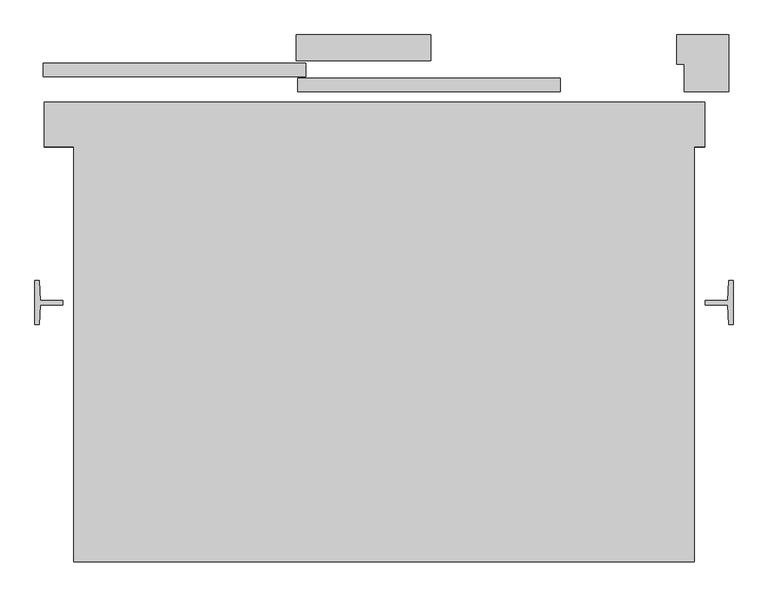
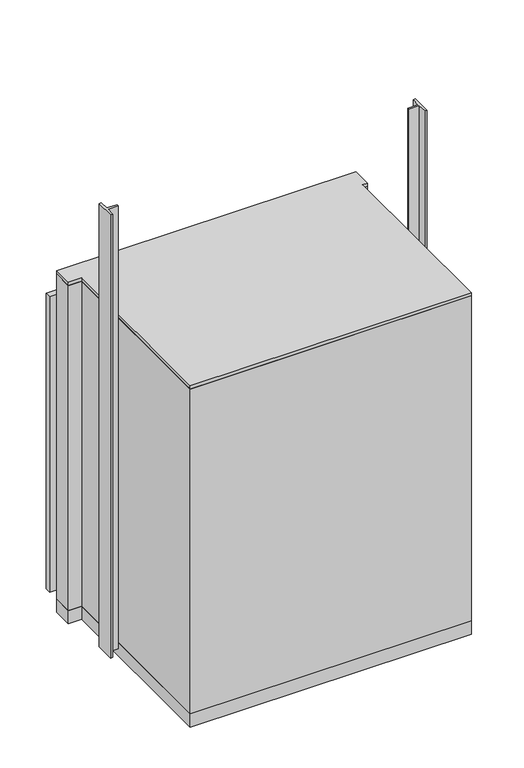
"""IFC4 building model written with IfcOpenShell, lengths in millimetres: proxy geometry."""

from ifc_helpers import new_model, si_unit, frame, origin, origin_with_axes, place, context, project, spatial, polyline, outline, extrude, faceted_brep, source, transform, mapped, element, save


def specialty_equipment_e7032611(model_context):
    return source(origin(), model_context, "Body", "SolidModel", [
        extrude(outline(polyline([(-1198.6220553, -190.9893804), (-1198.6220553, -149.3893804), (-437.6220553, -149.3893804), (-437.6220553, -190.9893804), (-1198.6220553, -190.9893804)])), origin_with_axes(), (0.0, 0.0, 1.0), 2000.0),
        extrude(outline(polyline([(-489.8301, -144.0), (-489.8301, -108.9587126), (271.1699, -108.9587126), (271.1699, -144.0), (-489.8301, -144.0)])), origin_with_axes(), (0.0, 0.0, 1.0), 2000.0),
        extrude(outline(polyline([(-1238.6220553, 8.3893803), (-477.6220553, 8.3893803), (-477.6220553, -30.6106197), (-1238.6220553, -30.6106197), (-1238.6220553, 8.3893803)])), origin_with_axes(), (0.0, 0.0, 1.0), 2000.0),
        extrude(outline(polyline([(-499.8301, -75.0), (-499.8301, -36.0), (261.1699, -36.0), (261.1699, -75.0), (-499.8301, -75.0)])), origin_with_axes(), (0.0, 0.0, 1.0), 2000.0),
        faceted_brep([(-1150.0, -1440.0000001, 2200.0), (650.0, -1440.0000001, 2200.0), (650.0, -235.0, 2200.0), (681.0, -235.0, 2200.0), (681.0, -105.0, 2200.0), (-1236.5, -105.0, 2200.0), (-1236.5, -235.0, 2200.0), (-1150.0, -235.0, 2200.0), (-1125.0, -1415.0000001, 2200.0), (-1125.0, -802.5016433, 2200.0), (-1110.2454439, -802.5016433, 2200.0), (-1110.2454439, -572.5016433, 2200.0), (-1125.0, -572.5016433, 2200.0), (-1125.0, -235.0, 2200.0), (-860.3, -235.0, 2200.0), (-860.3, -197.0, 2200.0), (-1208.1228936, -197.0, 2200.0), (-1208.1228936, -108.9587126, 2200.0), (621.1699, -108.9587126, 2200.0), (621.1699, -192.6835257, 2200.0), (600.0, -192.6835257, 2200.0), (600.0, -235.0, 2200.0), (625.0, -235.0, 2200.0), (625.0, -572.5016433, 2200.0), (610.2454439, -572.5016433, 2200.0), (610.2454439, -802.5016433, 2200.0), (625.0, -802.5016433, 2200.0), (625.0, -1415.0000001, 2200.0), (-1150.0, -1440.0000001, 0.0), (-1150.0, -235.0, 0.0), (-1236.5, -235.0, 0.0), (-1236.5, -105.0, 0.0), (-923.4437103, -105.0, 0.0), (-923.4437103, -108.9587126, 0.0), (-1208.1228936, -108.9587126, 0.0), (-1208.1228936, -197.0, 0.0), (-860.3, -197.0, 0.0), (-860.3, -235.0, 0.0), (-1125.0, -235.0, 0.0), (-1125.0, -572.5016433, 0.0), (-1110.2454439, -572.5016433, 0.0), (-1110.2454439, -802.5016433, 0.0), (-1125.0, -802.5016433, 0.0), (-1125.0, -1415.0000001, 0.0), (625.0, -1415.0000001, 0.0), (625.0, -802.5016433, 0.0), (610.2454439, -802.5016433, 0.0), (610.2454439, -572.5016433, 0.0), (625.0, -572.5016433, 0.0), (625.0, -235.0, 0.0), (600.0, -235.0, 0.0), (600.0, -192.6835257, 0.0), (621.1699, -192.6835257, 0.0), (621.1699, -105.0, 0.0), (681.0, -105.0, 0.0), (681.0, -235.0, 0.0), (650.0, -235.0, 0.0), (650.0, -1440.0000001, 0.0), (621.1699, -105.0, 2000.0), (-923.4437103, -105.0, 2000.0), (-923.4437103, -108.9587126, 2000.0), (621.1699, -108.9587126, 2000.0), (600.0, -192.6835257, 2000.0)], [[[0, 1, 2, 3, 4, 5, 6, 7], [8, 9, 10, 11, 12, 13, 14, 15, 16, 17, 18, 19, 20, 21, 22, 23, 24, 25, 26, 27]], [[28, 29, 30, 31, 32, 33, 34, 35, 36, 37, 38, 39, 40, 41, 42, 43, 44, 45, 46, 47, 48, 49, 50, 51, 52, 53, 54, 55, 56, 57]], [[1, 0, 28, 57]], [[2, 1, 57, 56]], [[3, 2, 56, 55]], [[4, 3, 55, 54]], [[5, 4, 54, 53, 58, 59, 32, 31]], [[6, 5, 31, 30]], [[7, 6, 30, 29]], [[0, 7, 29, 28]], [[9, 8, 43, 42]], [[14, 13, 38, 37]], [[15, 14, 37, 36]], [[16, 15, 36, 35]], [[17, 16, 35, 34]], [[18, 17, 34, 33, 60, 61]], [[19, 18, 61, 58, 53, 52]], [[20, 19, 52, 51, 62]], [[21, 20, 62, 51, 50]], [[22, 21, 50, 49]], [[23, 22, 49, 48]], [[24, 23, 48, 47]], [[25, 24, 47, 46]], [[26, 25, 46, 45]], [[27, 26, 45, 44]], [[8, 27, 44, 43]], [[58, 61, 60, 59]], [[59, 60, 33, 32]], [[10, 9, 42, 41]], [[11, 10, 41, 40]], [[12, 11, 40, 39]], [[13, 12, 39, 38]]]),
        extrude(outline(polyline([(750.026988, -751.0012199), (747.026988, -693.80122), (682.0269884, -693.80122), (682.0269884, -681.3056039), (747.1132057, -681.3056039), (750.026988, -624.0012199), (763.026988, -624.0012199), (763.026988, -751.0012199), (750.026988, -751.0012199)])), origin_with_axes(), (0.0, 0.0, 1.0), 3000.0),
        extrude(outline(polyline([(-1247.026988, -693.80122), (-1250.026988, -751.0012199), (-1263.026988, -751.0012199), (-1263.026988, -624.0012199), (-1250.026988, -624.0012199), (-1247.1132057, -681.3056039), (-1182.0269884, -681.3056039), (-1182.0269884, -693.80122), (-1247.026988, -693.80122)])), origin_with_axes(), (0.0, 0.0, 1.0), 3000.0),
        extrude(outline(polyline([(-1150.0, -1440.0000001), (-1150.0, -235.0), (-1236.5, -235.0), (-1236.5, -105.0), (681.0, -105.0), (681.0, -235.0), (650.0, -235.0), (650.0, -1440.0000001), (-1150.0, -1440.0000001)])), frame((0.0, 0.0, 2200.0), z_axis=(0.0, 0.0, 1.0), x_axis=(1.0, 0.0, 0.0)), (0.0, 0.0, 1.0), 22.0),
        extrude(outline(polyline([(-1150.0, -1440.0000001), (-1150.0, -235.0), (-1236.5, -235.0), (-1236.5, -105.0), (681.0, -105.0), (681.0, -235.0), (650.0, -235.0), (650.0, -1440.0000001), (-1150.0, -1440.0000001)])), frame((0.0, 0.0, -90.0), z_axis=(0.0, 0.0, 1.0), x_axis=(1.0, 0.0, 0.0)), (0.0, 0.0, 1.0), 90.0),
        extrude(outline(polyline([(-114.9791786, 90.0), (-114.9791786, 14.4785696), (-505.0067971, 14.4785696), (-505.0067971, 90.0), (-114.9791786, 90.0)])), origin_with_axes(), (0.0, 0.0, 1.0), 2000.0),
        extrude(outline(polyline([(600.0, 5.0), (600.0, 90.0), (750.0, 90.0), (750.0, -75.0), (621.1699, -75.0), (621.1699, 5.0), (600.0, 5.0)])), origin_with_axes(), (0.0, 0.0, 1.0), 2000.0),
    ])


if __name__ == "__main__":
    model = new_model("IFC4")
    model_context = context("Model", 3, world=origin())
    ifc_project = project(units=[si_unit("LENGTHUNIT", "METRE", prefix="MILLI")], contexts=[model_context])
    site = spatial("IfcSite", under=ifc_project)
    building = spatial("IfcBuilding", under=site)
    placement = place(None, origin())
    specialty_equipment_shape = specialty_equipment_e7032611(model_context)
    element("IfcBuildingElementProxy", 1, Name="Specialty Equipment", at=placement, inside=building, context=model_context, shape_type="MappedRepresentation", body=[
        mapped(specialty_equipment_shape, transform((0.0, 0.0, 0.0), x_axis=(1.0, 0.0, 0.0), y_axis=(0.0, 1.0, 0.0), z_axis=(0.0, 0.0, 1.0))),
    ])
    save(model, "model.ifc")
